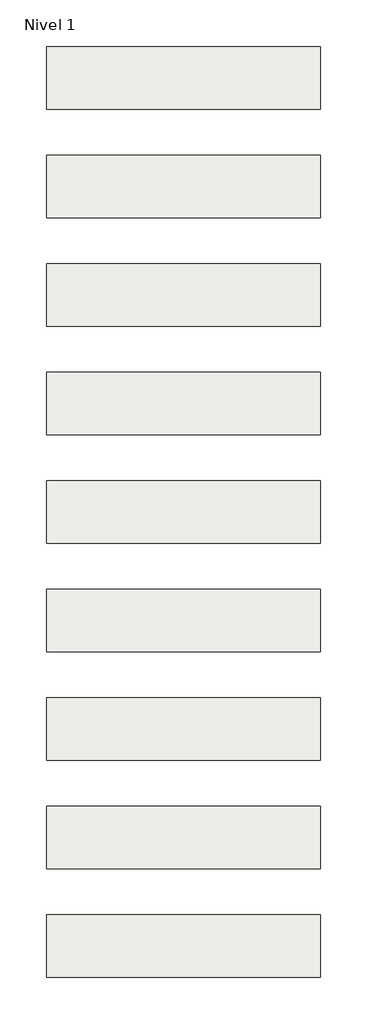
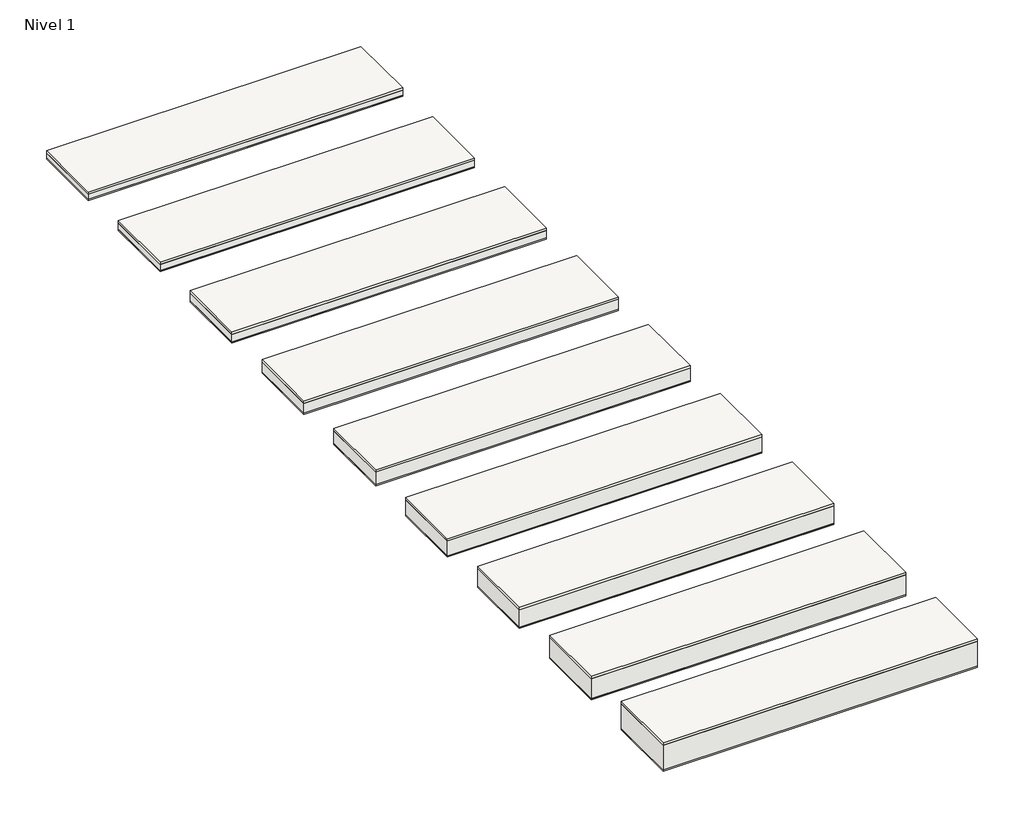
# One storey: 9 roofs.
"""IFC4 building model written with IfcOpenShell, lengths in millimetres."""

from ifc_helpers import new_model, si_unit, frame, origin, origin_with_axes, place, context, project, spatial, polyline, outline, extrude, element, save

model = new_model("IFC4")

# Units and contexts
model_context = context("Model", 3, world=origin())
ifc_project = project(units=[si_unit("LENGTHUNIT", "METRE", prefix="MILLI")], contexts=[model_context])

# Site, building, storey
site = spatial("IfcSite", under=ifc_project)
building = spatial("IfcBuilding", under=site)
storey = spatial("IfcBuildingStorey", under=building, Name="Nivel 1", Elevation=0.0)

# Roofs
placement = place(None, origin())
element("IfcRoof", 1, at=placement, inside=storey, context=model_context, shape_type="SweptSolid", body=[
    extrude(outline(polyline([(-3824.6699095, -6894.5376473), (-1424.6699095, -6894.5376473), (-1424.6699095, -7444.5376473), (-3824.6699095, -7444.5376473), (-3824.6699095, -6894.5376473)])), frame((0.0, 0.0, 60.0), z_axis=(0.0, 0.0, 1.0), x_axis=(1.0, 0.0, 0.0)), (0.0, 0.0, 1.0), 19.0),
    extrude(outline(polyline([(-3824.6699095, -6894.5376473), (-1424.6699095, -6894.5376473), (-1424.6699095, -7444.5376473), (-3824.6699095, -7444.5376473), (-3824.6699095, -6894.5376473)])), frame((0.0, 0.0, 10.0), z_axis=(0.0, 0.0, 1.0), x_axis=(1.0, 0.0, 0.0)), (0.0, 0.0, 1.0), 50.0),
    extrude(outline(polyline([(-3824.6699095, -6894.5376473), (-1424.6699095, -6894.5376473), (-1424.6699095, -7444.5376473), (-3824.6699095, -7444.5376473), (-3824.6699095, -6894.5376473)])), origin_with_axes(), (0.0, 0.0, 1.0), 10.0),
])
element("IfcRoof", 2, at=placement, inside=storey, context=model_context, shape_type="SweptSolid", body=[
    extrude(outline(polyline([(-3824.6699095, -5944.5376473), (-1424.6699095, -5944.5376473), (-1424.6699095, -6494.5376473), (-3824.6699095, -6494.5376473), (-3824.6699095, -5944.5376473)])), frame((0.0, 0.0, 50.0), z_axis=(0.0, 0.0, 1.0), x_axis=(1.0, 0.0, 0.0)), (0.0, 0.0, 1.0), 19.0),
    extrude(outline(polyline([(-3824.6699095, -5944.5376473), (-1424.6699095, -5944.5376473), (-1424.6699095, -6494.5376473), (-3824.6699095, -6494.5376473), (-3824.6699095, -5944.5376473)])), frame((0.0, 0.0, 10.0), z_axis=(0.0, 0.0, 1.0), x_axis=(1.0, 0.0, 0.0)), (0.0, 0.0, 1.0), 40.0),
    extrude(outline(polyline([(-3824.6699095, -5944.5376473), (-1424.6699095, -5944.5376473), (-1424.6699095, -6494.5376473), (-3824.6699095, -6494.5376473), (-3824.6699095, -5944.5376473)])), origin_with_axes(), (0.0, 0.0, 1.0), 10.0),
])
element("IfcRoof", 3, at=placement, inside=storey, context=model_context, shape_type="SweptSolid", body=[
    extrude(outline(polyline([(-3824.6699095, -7844.5376473), (-1424.6699095, -7844.5376473), (-1424.6699095, -8394.5376473), (-3824.6699095, -8394.5376473), (-3824.6699095, -7844.5376473)])), frame((0.0, 0.0, 70.0), z_axis=(0.0, 0.0, 1.0), x_axis=(1.0, 0.0, 0.0)), (0.0, 0.0, 1.0), 19.0),
    extrude(outline(polyline([(-3824.6699095, -7844.5376473), (-1424.6699095, -7844.5376473), (-1424.6699095, -8394.5376473), (-3824.6699095, -8394.5376473), (-3824.6699095, -7844.5376473)])), frame((0.0, 0.0, 10.0), z_axis=(0.0, 0.0, 1.0), x_axis=(1.0, 0.0, 0.0)), (0.0, 0.0, 1.0), 60.0),
    extrude(outline(polyline([(-3824.6699095, -7844.5376473), (-1424.6699095, -7844.5376473), (-1424.6699095, -8394.5376473), (-3824.6699095, -8394.5376473), (-3824.6699095, -7844.5376473)])), origin_with_axes(), (0.0, 0.0, 1.0), 10.0),
])
element("IfcRoof", 4, at=placement, inside=storey, context=model_context, shape_type="SweptSolid", body=[
    extrude(outline(polyline([(-3824.6699095, -8794.5376473), (-1424.6699095, -8794.5376473), (-1424.6699095, -9344.5376473), (-3824.6699095, -9344.5376473), (-3824.6699095, -8794.5376473)])), frame((0.0, 0.0, 90.0), z_axis=(0.0, 0.0, 1.0), x_axis=(1.0, 0.0, 0.0)), (0.0, 0.0, 1.0), 19.0),
    extrude(outline(polyline([(-3824.6699095, -8794.5376473), (-1424.6699095, -8794.5376473), (-1424.6699095, -9344.5376473), (-3824.6699095, -9344.5376473), (-3824.6699095, -8794.5376473)])), frame((0.0, 0.0, 10.0), z_axis=(0.0, 0.0, 1.0), x_axis=(1.0, 0.0, 0.0)), (0.0, 0.0, 1.0), 80.0),
    extrude(outline(polyline([(-3824.6699095, -8794.5376473), (-1424.6699095, -8794.5376473), (-1424.6699095, -9344.5376473), (-3824.6699095, -9344.5376473), (-3824.6699095, -8794.5376473)])), origin_with_axes(), (0.0, 0.0, 1.0), 10.0),
])
element("IfcRoof", 5, at=placement, inside=storey, context=model_context, shape_type="SweptSolid", body=[
    extrude(outline(polyline([(-3824.6699095, -9744.5376473), (-1424.6699095, -9744.5376473), (-1424.6699095, -10294.5376473), (-3824.6699095, -10294.5376473), (-3824.6699095, -9744.5376473)])), frame((0.0, 0.0, 110.0), z_axis=(0.0, 0.0, 1.0), x_axis=(1.0, 0.0, 0.0)), (0.0, 0.0, 1.0), 19.0),
    extrude(outline(polyline([(-3824.6699095, -9744.5376473), (-1424.6699095, -9744.5376473), (-1424.6699095, -10294.5376473), (-3824.6699095, -10294.5376473), (-3824.6699095, -9744.5376473)])), frame((0.0, 0.0, 10.0), z_axis=(0.0, 0.0, 1.0), x_axis=(1.0, 0.0, 0.0)), (0.0, 0.0, 1.0), 100.0),
    extrude(outline(polyline([(-3824.6699095, -9744.5376473), (-1424.6699095, -9744.5376473), (-1424.6699095, -10294.5376473), (-3824.6699095, -10294.5376473), (-3824.6699095, -9744.5376473)])), origin_with_axes(), (0.0, 0.0, 1.0), 10.0),
])
element("IfcRoof", 6, at=placement, inside=storey, context=model_context, shape_type="SweptSolid", body=[
    extrude(outline(polyline([(-3824.6699095, -10694.5376473), (-1424.6699095, -10694.5376473), (-1424.6699095, -11244.5376473), (-3824.6699095, -11244.5376473), (-3824.6699095, -10694.5376473)])), frame((0.0, 0.0, 130.0), z_axis=(0.0, 0.0, 1.0), x_axis=(1.0, 0.0, 0.0)), (0.0, 0.0, 1.0), 19.0),
    extrude(outline(polyline([(-3824.6699095, -10694.5376473), (-1424.6699095, -10694.5376473), (-1424.6699095, -11244.5376473), (-3824.6699095, -11244.5376473), (-3824.6699095, -10694.5376473)])), frame((0.0, 0.0, 10.0), z_axis=(0.0, 0.0, 1.0), x_axis=(1.0, 0.0, 0.0)), (0.0, 0.0, 1.0), 120.0),
    extrude(outline(polyline([(-3824.6699095, -10694.5376473), (-1424.6699095, -10694.5376473), (-1424.6699095, -11244.5376473), (-3824.6699095, -11244.5376473), (-3824.6699095, -10694.5376473)])), origin_with_axes(), (0.0, 0.0, 1.0), 10.0),
])
element("IfcRoof", 7, at=placement, inside=storey, context=model_context, shape_type="SweptSolid", body=[
    extrude(outline(polyline([(-3824.6699095, -11644.5376473), (-1424.6699095, -11644.5376473), (-1424.6699095, -12194.5376473), (-3824.6699095, -12194.5376473), (-3824.6699095, -11644.5376473)])), frame((0.0, 0.0, 150.0), z_axis=(0.0, 0.0, 1.0), x_axis=(1.0, 0.0, 0.0)), (0.0, 0.0, 1.0), 19.0),
    extrude(outline(polyline([(-3824.6699095, -11644.5376473), (-1424.6699095, -11644.5376473), (-1424.6699095, -12194.5376473), (-3824.6699095, -12194.5376473), (-3824.6699095, -11644.5376473)])), frame((0.0, 0.0, 10.0), z_axis=(0.0, 0.0, 1.0), x_axis=(1.0, 0.0, 0.0)), (0.0, 0.0, 1.0), 140.0),
    extrude(outline(polyline([(-3824.6699095, -11644.5376473), (-1424.6699095, -11644.5376473), (-1424.6699095, -12194.5376473), (-3824.6699095, -12194.5376473), (-3824.6699095, -11644.5376473)])), origin_with_axes(), (0.0, 0.0, 1.0), 10.0),
])
element("IfcRoof", 8, at=placement, inside=storey, context=model_context, shape_type="SweptSolid", body=[
    extrude(outline(polyline([(-3824.6699095, -12594.5376473), (-1424.6699095, -12594.5376473), (-1424.6699095, -13144.5376473), (-3824.6699095, -13144.5376473), (-3824.6699095, -12594.5376473)])), frame((0.0, 0.0, 170.0), z_axis=(0.0, 0.0, 1.0), x_axis=(1.0, 0.0, 0.0)), (0.0, 0.0, 1.0), 19.0),
    extrude(outline(polyline([(-3824.6699095, -12594.5376473), (-1424.6699095, -12594.5376473), (-1424.6699095, -13144.5376473), (-3824.6699095, -13144.5376473), (-3824.6699095, -12594.5376473)])), frame((0.0, 0.0, 10.0), z_axis=(0.0, 0.0, 1.0), x_axis=(1.0, 0.0, 0.0)), (0.0, 0.0, 1.0), 160.0),
    extrude(outline(polyline([(-3824.6699095, -12594.5376473), (-1424.6699095, -12594.5376473), (-1424.6699095, -13144.5376473), (-3824.6699095, -13144.5376473), (-3824.6699095, -12594.5376473)])), origin_with_axes(), (0.0, 0.0, 1.0), 10.0),
])
element("IfcRoof", 9, at=placement, inside=storey, context=model_context, shape_type="SweptSolid", body=[
    extrude(outline(polyline([(-3824.6699095, -13544.5376473), (-1424.6699095, -13544.5376473), (-1424.6699095, -14094.5376473), (-3824.6699095, -14094.5376473), (-3824.6699095, -13544.5376473)])), frame((0.0, 0.0, 210.0), z_axis=(0.0, 0.0, 1.0), x_axis=(1.0, 0.0, 0.0)), (0.0, 0.0, 1.0), 19.0),
    extrude(outline(polyline([(-3824.6699095, -13544.5376473), (-1424.6699095, -13544.5376473), (-1424.6699095, -14094.5376473), (-3824.6699095, -14094.5376473), (-3824.6699095, -13544.5376473)])), frame((0.0, 0.0, 10.0), z_axis=(0.0, 0.0, 1.0), x_axis=(1.0, 0.0, 0.0)), (0.0, 0.0, 1.0), 200.0),
    extrude(outline(polyline([(-3824.6699095, -13544.5376473), (-1424.6699095, -13544.5376473), (-1424.6699095, -14094.5376473), (-3824.6699095, -14094.5376473), (-3824.6699095, -13544.5376473)])), origin_with_axes(), (0.0, 0.0, 1.0), 10.0),
])

save(model, "model.ifc")
